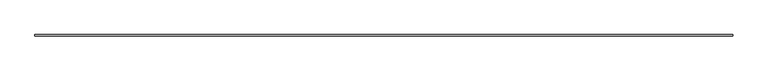
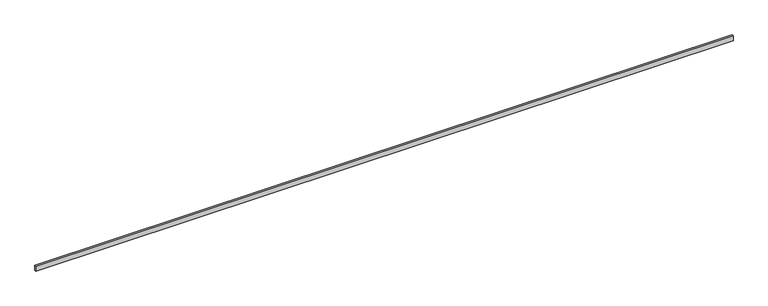
"""IFC4 building model written with IfcOpenShell, lengths in millimetres: railing geometry."""

import ifcopenshell
import ifcopenshell.guid

model = None  # the IFC model being written
_history = None  # IfcOwnerHistory: only IFC2X3 demands one
_inside = {}  # id of a spatial element -> (the spatial element, [elements in it])
_under = {}  # id of a project, library or spatial element -> (it, [spatial elements below it])
_declared = {}  # id of a project -> (the project, [libraries it declares])
_typed = {}  # id of a type object -> (the type object, [elements of that type])
_made_of = {}  # id of a material, layer set ... -> (it, [elements and type objects made of it])


def new_model(schema):
    """Start an empty IFC model of exactly this schema.

    Asked for "IFC4X3", IfcOpenShell would pick the latest addendum, in which some entities
    have other attributes; the version numbers below select the first issue.
    IFC2X3 requires an IfcOwnerHistory on every rooted entity: one is made here for all.
    """
    global model, _history
    if schema == "IFC4X3":
        model = ifcopenshell.file(schema_version=(4, 3, 0, 0))
    else:
        model = ifcopenshell.file(schema=schema)
    _inside.clear()
    _under.clear()
    _declared.clear()
    _typed.clear()
    _made_of.clear()
    _history = None
    if model.schema == "IFC2X3":
        org = make("IfcOrganization", Name="unknown")
        user = make(
            "IfcPersonAndOrganization",
            ThePerson=make("IfcPerson", FamilyName="unknown"),
            TheOrganization=org,
        )
        app = make(
            "IfcApplication",
            ApplicationDeveloper=org,
            Version="unknown",
            ApplicationFullName="unknown",
            ApplicationIdentifier="unknown",
        )
        _history = make(
            "IfcOwnerHistory",
            OwningUser=user,
            OwningApplication=app,
            ChangeAction="ADDED",
            CreationDate=0,
        )
    return model


def make(cls, **values):
    """One entity of the class cls with the attributes given. An attribute that is None is left unset."""
    return model.create_entity(
        cls, **{name: value for name, value in values.items() if value is not None}
    )


def rooted(cls, **values):
    """An entity with a GlobalId (a new one), such as an element, a storey or a relation."""
    return make(cls, GlobalId=ifcopenshell.guid.new(), OwnerHistory=_history, **values)


def si_unit(unit_type, name, prefix=None):
    """IfcSIUnit, for example si_unit("LENGTHUNIT", "METRE", prefix="MILLI")."""
    return make("IfcSIUnit", UnitType=unit_type, Prefix=prefix, Name=name)


def assignment(units):
    """IfcUnitAssignment: the units of a project."""
    return None if units is None else make("IfcUnitAssignment", Units=units)


def point(xyz):
    """IfcCartesianPoint."""
    return None if xyz is None else make("IfcCartesianPoint", Coordinates=xyz)


def direction(xyz):
    """IfcDirection."""
    return None if xyz is None else make("IfcDirection", DirectionRatios=xyz)


def frame(location, z_axis=None, x_axis=None):
    """IfcAxis2Placement3D, a coordinate frame: its origin and axes. An axis left out is left unset."""
    return make(
        "IfcAxis2Placement3D",
        Location=point(location),
        Axis=direction(z_axis),
        RefDirection=direction(x_axis),
    )


def origin():
    """The frame at (0, 0, 0) with its axes left unset."""
    return frame((0.0, 0.0, 0.0))


def place(relative_to, where):
    """IfcLocalPlacement: puts the frame where relative to a parent placement (None: the world)."""
    return make(
        "IfcLocalPlacement", PlacementRelTo=relative_to, RelativePlacement=where
    )


def context(
    kind, dimensions, precision=None, world=None, true_north=None, identifier=None
):
    """IfcGeometricRepresentationContext, for example the 3D "Model" context."""
    return make(
        "IfcGeometricRepresentationContext",
        ContextIdentifier=identifier,
        ContextType=kind,
        CoordinateSpaceDimension=dimensions,
        Precision=precision,
        WorldCoordinateSystem=world,
        TrueNorth=true_north,
    )


def project(units=None, contexts=None):
    """IfcProject with its units and contexts."""
    return rooted(
        "IfcProject",
        Name="project",
        RepresentationContexts=contexts,
        UnitsInContext=assignment(units),
    )


def spatial(cls, under=None, at=None, **own):
    """A site, building, storey or space (cls), placed at a placement, below another one or the project."""
    s = rooted(cls, ObjectPlacement=at, **own)
    if under is not None:
        _under.setdefault(under.id(), (under, []))[1].append(s)
    return s


def polyline(points):
    """IfcPolyline through the points."""
    return make("IfcPolyline", Points=[point(p) for p in points])


def outline(outer, holes=None, kind="AREA"):
    """IfcArbitraryClosedProfileDef: a profile drawn as a closed curve; with holes, ...WithVoids."""
    if holes is None:
        return make("IfcArbitraryClosedProfileDef", ProfileType=kind, OuterCurve=outer)
    return make(
        "IfcArbitraryProfileDefWithVoids",
        ProfileType=kind,
        OuterCurve=outer,
        InnerCurves=holes,
    )


def extrude(swept, where, along, depth):
    """IfcExtrudedAreaSolid: the profile swept, set in the frame where, extruded along a direction by depth."""
    return make(
        "IfcExtrudedAreaSolid",
        SweptArea=swept,
        Position=where,
        ExtrudedDirection=direction(along),
        Depth=depth,
    )


def shape(context_of_items, identifier, shape_type, items):
    """IfcShapeRepresentation: the items that make up one representation, for example the "Body"."""
    return make(
        "IfcShapeRepresentation",
        ContextOfItems=context_of_items,
        RepresentationIdentifier=identifier,
        RepresentationType=shape_type,
        Items=items,
    )


def source(mapping_origin, context_of_items, identifier, shape_type, items):
    """IfcRepresentationMap: a shape defined once, which mapped items show again and again."""
    return make(
        "IfcRepresentationMap",
        MappingOrigin=mapping_origin,
        MappedRepresentation=shape(context_of_items, identifier, shape_type, items),
    )


def transform(
    local_origin,
    x_axis=None,
    y_axis=None,
    z_axis=None,
    scale=None,
    scale2=None,
    scale3=None,
    uniform=True,
):
    """IfcCartesianTransformationOperator3D, or its non-uniform kind. x_axis, y_axis, z_axis: its Axis1, 2, 3."""
    if uniform:
        return make(
            "IfcCartesianTransformationOperator3D",
            Axis1=direction(x_axis),
            Axis2=direction(y_axis),
            LocalOrigin=point(local_origin),
            Scale=scale,
            Axis3=direction(z_axis),
        )
    return make(
        "IfcCartesianTransformationOperator3DnonUniform",
        Axis1=direction(x_axis),
        Axis2=direction(y_axis),
        LocalOrigin=point(local_origin),
        Scale=scale,
        Axis3=direction(z_axis),
        Scale2=scale2,
        Scale3=scale3,
    )


def mapped(mapping_source, mapping_target):
    """IfcMappedItem: shows the shape of a source again, moved by a transform."""
    return make(
        "IfcMappedItem", MappingSource=mapping_source, MappingTarget=mapping_target
    )


def made_of(thing, what):
    """Note that an element or type object is made of a material, layer set ...; save() writes the relation."""
    if what is not None:
        _made_of.setdefault(what.id(), (what, []))[1].append(thing)
    return thing


def element(
    cls,
    number,
    at=None,
    inside=None,
    cuts=None,
    type_object=None,
    material=None,
    context=None,
    identifier="Body",
    shape_type=None,
    held_by="IfcProductDefinitionShape",
    body=None,
    shapes=None,
    **own,
):
    """One element of the class cls, such as IfcWall. Its Tag is "e" and its number.

    at: its placement. inside: the storey or other place that contains it. cuts: it is an
    opening in that element (IfcRelVoidsElement). A single representation is given by context,
    identifier, shape_type and body (its items); several are given by shapes. held_by: the class
    of the entity that holds the representations. save() writes the other relations.
    """
    e = rooted(cls, Tag="e%d" % number, ObjectPlacement=at, **own)
    if body is not None:
        shapes = [shape(context, identifier, shape_type, body)]
    if shapes is not None:
        e.Representation = make(held_by, Representations=shapes)
    if inside is not None:
        _inside.setdefault(inside.id(), (inside, []))[1].append(e)
    if cuts is not None:
        rooted(
            "IfcRelVoidsElement", RelatingBuildingElement=cuts, RelatedOpeningElement=e
        )
    if type_object is not None:
        _typed.setdefault(type_object.id(), (type_object, []))[1].append(e)
    return made_of(e, material)


def aggregate(whole, parts):
    """IfcRelAggregates: a whole, such as a stair, and the parts it consists of."""
    return rooted("IfcRelAggregates", RelatingObject=whole, RelatedObjects=parts)


def save(model, path):
    """Write the relations noted so far, then the file.

    IfcRelAggregates (storeys below a building ...), IfcRelContainedInSpatialStructure (elements
    in a storey), IfcRelDefinesByType, IfcRelAssociatesMaterial and IfcRelDeclares: one each for
    every whole, place, type object, material and project.
    """
    for whole, parts in _under.values():
        aggregate(whole, parts)
    for where, things in _inside.values():
        rooted(
            "IfcRelContainedInSpatialStructure",
            RelatedElements=things,
            RelatingStructure=where,
        )
    for kind, things in _typed.values():
        rooted("IfcRelDefinesByType", RelatedObjects=things, RelatingType=kind)
    for what, things in _made_of.values():
        rooted("IfcRelAssociatesMaterial", RelatedObjects=things, RelatingMaterial=what)
    for by, libraries in _declared.values():
        rooted("IfcRelDeclares", RelatingContext=by, RelatedDefinitions=libraries)
    model.write(path)


def railing_1d27e6d2(model_context):
    return source(origin(), model_context, "Body", "SweptSolid", [
        extrude(outline(polyline([(479.3297172, 35566.9465374), (479.3297172, 35556.9465374), (-4840.6702828, 35556.9465374), (-4840.6702828, 35566.9465374), (479.3297172, 35566.9465374)])), frame((0.0, 0.0, 710.0), z_axis=(0.0, 0.0, 1.0), x_axis=(1.0, 0.0, 0.0)), (0.0, 0.0, 1.0), 40.0),
    ])


if __name__ == "__main__":
    model = new_model("IFC4")
    model_context = context("Model", 3, world=origin())
    ifc_project = project(units=[si_unit("LENGTHUNIT", "METRE", prefix="MILLI")], contexts=[model_context])
    site = spatial("IfcSite", under=ifc_project)
    building = spatial("IfcBuilding", under=site)
    placement = place(None, origin())
    railing_shape = railing_1d27e6d2(model_context)
    element("IfcRailing", 1, at=placement, inside=building, context=model_context, shape_type="MappedRepresentation", body=[
        mapped(railing_shape, transform((0.0, 0.0, 0.0), x_axis=(1.0, 0.0, 0.0), y_axis=(0.0, 1.0, 0.0), z_axis=(0.0, 0.0, 1.0))),
    ])
    save(model, "model.ifc")
